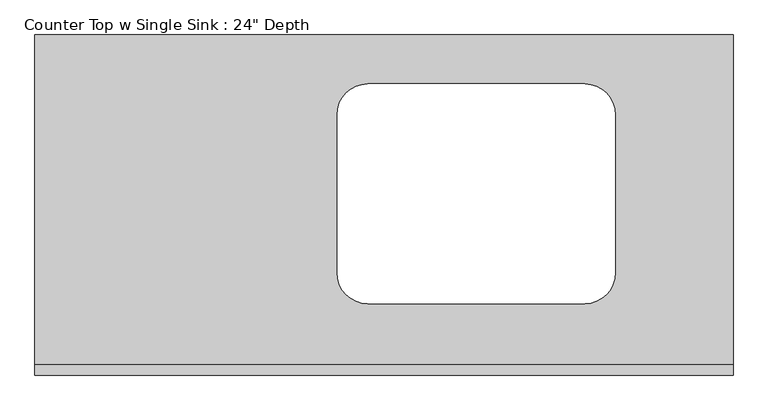
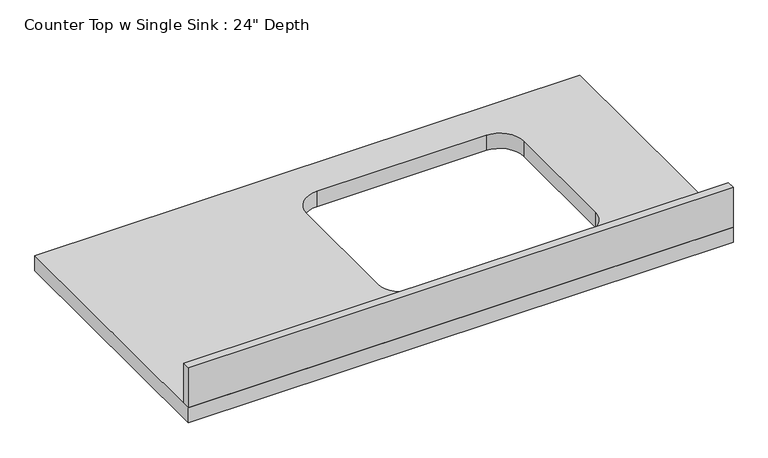
"""IFC4 building model written with IfcOpenShell, lengths in millimetres: furniture geometry."""

from ifc_helpers import new_model, si_unit, point, frame, frame_2d, origin, place, context, project, spatial, polyline, circle_curve, trimmed, segment, composite_curve, outline, extrude, source, transform, mapped, element, save


def furniture_f43b0ba6(model_context):
    return source(origin(), model_context, "Body", "SweptSolid", [
        extrude(outline(polyline([(103.0514521, 0.0), (-1200.4622951, 0.0), (-1200.4622951, 635.0), (103.0514521, 635.0), (103.0514521, 0.0)]), holes=[composite_curve([segment(polyline([(-636.2184409, 486.2327941), (-636.2184409, 190.5)]), True, "CONTINUOUS"), segment(trimmed(circle_curve(frame_2d((-579.0684409, 190.5)), 57.15), [point((-636.2184409, 190.5))], [point((-579.0684409, 133.35))], True, "CARTESIAN"), True, "CONTINUOUS"), segment(polyline([(-579.0684409, 133.35), (-174.1659044, 133.35)]), True, "CONTINUOUS"), segment(trimmed(circle_curve(frame_2d((-174.1659044, 190.5)), 57.15), [point((-174.1659044, 133.35))], [point((-117.0159044, 190.5))], True, "CARTESIAN"), True, "CONTINUOUS"), segment(polyline([(-117.0159044, 190.5), (-117.0159044, 486.2327941)]), True, "CONTINUOUS"), segment(trimmed(circle_curve(frame_2d((-174.1659044, 486.2327941)), 57.15), [point((-117.0159044, 486.2327941))], [point((-174.1659044, 543.3827941))], True, "CARTESIAN"), True, "CONTINUOUS"), segment(polyline([(-174.1659044, 543.3827941), (-579.0684409, 543.3827941)]), True, "CONTINUOUS"), segment(trimmed(circle_curve(frame_2d((-579.0684409, 486.2327941)), 57.15), [point((-579.0684409, 543.3827941))], [point((-636.2184409, 486.2327941))], True, "CARTESIAN"), True, "CONTINUOUS")], self_intersect=False)]), frame((0.0, 0.0, 876.3), z_axis=(0.0, 0.0, 1.0), x_axis=(1.0, 0.0, 0.0)), (0.0, 0.0, 1.0), 38.1),
        extrude(outline(polyline([(-1200.4622951, 0.0), (-1200.4622951, 19.05), (103.0514521, 19.05), (103.0514521, 0.0), (-1200.4622951, 0.0)])), frame((0.0, 0.0, 914.4), z_axis=(0.0, 0.0, 1.0), x_axis=(1.0, 0.0, 0.0)), (0.0, 0.0, 1.0), 101.6),
    ])


if __name__ == "__main__":
    model = new_model("IFC4")
    model_context = context("Model", 3, world=origin())
    ifc_project = project(units=[si_unit("LENGTHUNIT", "METRE", prefix="MILLI")], contexts=[model_context])
    site = spatial("IfcSite", under=ifc_project)
    building = spatial("IfcBuilding", under=site)
    placement = place(None, origin())
    furniture_shape = furniture_f43b0ba6(model_context)
    element("IfcFurniture", 1, ObjectType="Counter Top w Single Sink : 24\" Depth", at=placement, inside=building, context=model_context, shape_type="MappedRepresentation", body=[
        mapped(furniture_shape, transform((0.0, 0.0, 0.0), x_axis=(1.0, 0.0, 0.0), y_axis=(0.0, 1.0, 0.0), z_axis=(0.0, 0.0, 1.0))),
    ])
    save(model, "model.ifc")
